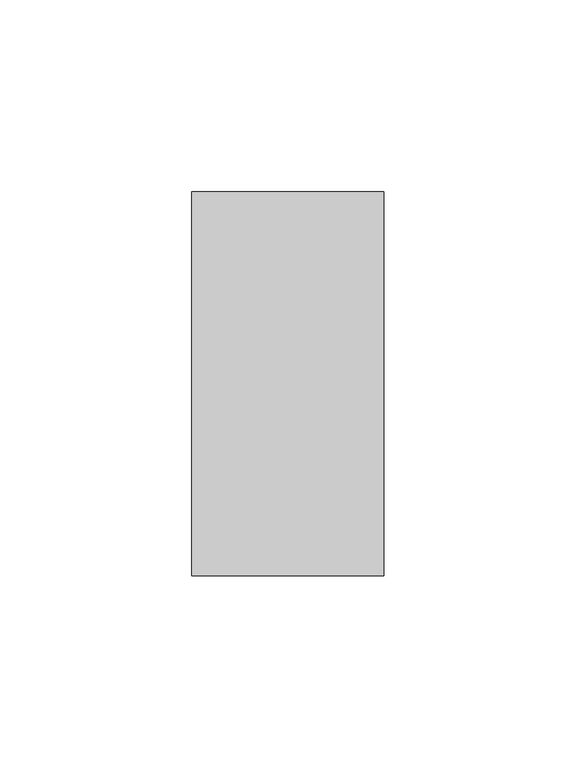
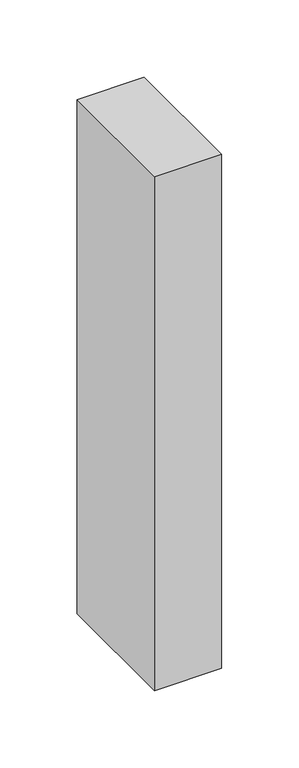
"""IFC4 building model written with IfcOpenShell, lengths in millimetres: member geometry."""

from ifc_helpers import new_model, si_unit, frame, origin, place, context, project, spatial, polyline, outline, extrude, source, transform, mapped, element, save


def member_17c2e8ba(model_context):
    return source(origin(), model_context, "Body", "SweptSolid", [
        extrude(outline(polyline([(25.0, 50.0), (25.0, -50.0), (-25.0, -50.0), (-25.0, 50.0), (25.0, 50.0)])), frame((0.0, 0.0, -405.1707317), z_axis=(0.0, 0.0, 1.0), x_axis=(1.0, 0.0, 0.0)), (0.0, 0.0, 1.0), 405.1707317),
    ])


if __name__ == "__main__":
    model = new_model("IFC4")
    model_context = context("Model", 3, world=origin())
    ifc_project = project(units=[si_unit("LENGTHUNIT", "METRE", prefix="MILLI")], contexts=[model_context])
    site = spatial("IfcSite", under=ifc_project)
    building = spatial("IfcBuilding", under=site)
    placement = place(None, origin())
    member_shape = member_17c2e8ba(model_context)
    element("IfcMember", 1, at=placement, inside=building, context=model_context, shape_type="MappedRepresentation", body=[
        mapped(member_shape, transform((0.0, 0.0, 0.0), x_axis=(1.0, 0.0, 0.0), y_axis=(0.0, 1.0, 0.0), z_axis=(0.0, 0.0, 1.0))),
    ])
    save(model, "model.ifc")
